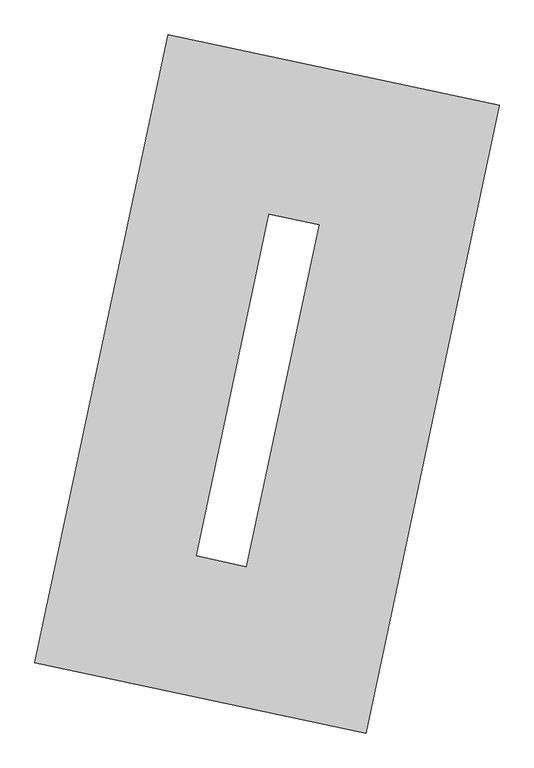
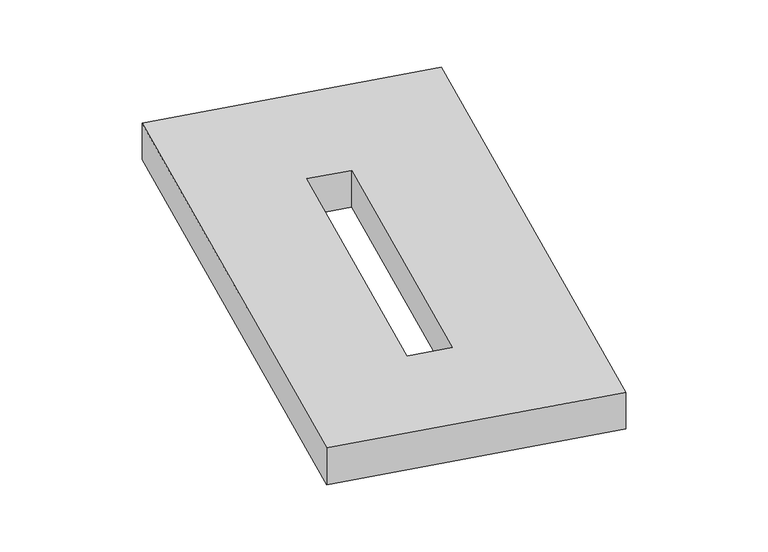
"""IFC4 building model written with IfcOpenShell, lengths in millimetres: proxy geometry."""

from ifc_helpers import new_model, si_unit, origin, origin_with_axes, place, context, project, spatial, polyline, outline, extrude, source, transform, mapped, element, save


def generic_models_3aae29fd(model_context):
    return source(origin(), model_context, "Body", "SweptSolid", [
        extrude(outline(polyline([(-617.3692021, 2175.5580432), (1447.7508745, 1737.3010494), (617.3692021, -2175.5580432), (-1447.7508745, -1737.3010494), (-617.3692021, 2175.5580432)]), holes=[polyline([(322.7868479, 993.2553012), (11.5981899, 1059.2953379), (-440.6795766, -1071.8923192), (-129.4909185, -1137.932356), (322.7868479, 993.2553012)])]), origin_with_axes(), (0.0, 0.0, 1.0), 300.0),
    ])


if __name__ == "__main__":
    model = new_model("IFC4")
    model_context = context("Model", 3, world=origin())
    ifc_project = project(units=[si_unit("LENGTHUNIT", "METRE", prefix="MILLI")], contexts=[model_context])
    site = spatial("IfcSite", under=ifc_project)
    building = spatial("IfcBuilding", under=site)
    placement = place(None, origin())
    generic_models_shape = generic_models_3aae29fd(model_context)
    element("IfcBuildingElementProxy", 1, Name="Generic Models", at=placement, inside=building, context=model_context, shape_type="MappedRepresentation", body=[
        mapped(generic_models_shape, transform((0.0, 0.0, 0.0), x_axis=(1.0, 0.0, 0.0), y_axis=(0.0, 1.0, 0.0), z_axis=(0.0, 0.0, 1.0))),
    ])
    save(model, "model.ifc")
